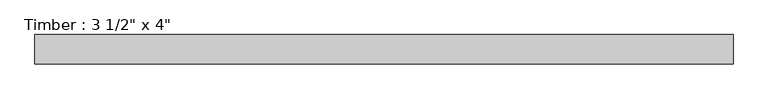
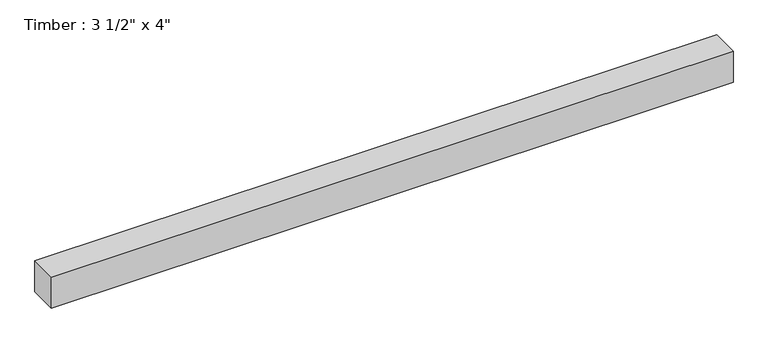
"""IFC4 building model written with IfcOpenShell, lengths in millimetres: beam geometry."""

from ifc_helpers import new_model, si_unit, frame, origin, place, context, project, spatial, polyline, outline, extrude, source, transform, mapped, element, save


def beam_3070ff94(model_context):
    return source(origin(), model_context, "Body", "SweptSolid", [
        extrude(outline(polyline([(1056.4038703, -44.45), (-1056.4038703, -44.45), (-1056.4038703, 44.45), (1056.4038703, 44.45), (1056.4038703, -44.45)])), frame((0.0, 0.0, -50.8), z_axis=(0.0, 0.0, 1.0), x_axis=(1.0, 0.0, 0.0)), (0.0, 0.0, 1.0), 101.6),
    ])


if __name__ == "__main__":
    model = new_model("IFC4")
    model_context = context("Model", 3, world=origin())
    ifc_project = project(units=[si_unit("LENGTHUNIT", "METRE", prefix="MILLI")], contexts=[model_context])
    site = spatial("IfcSite", under=ifc_project)
    building = spatial("IfcBuilding", under=site)
    placement = place(None, origin())
    beam_shape = beam_3070ff94(model_context)
    element("IfcBeam", 1, ObjectType="Timber : 3 1/2\" x 4\"", at=placement, inside=building, context=model_context, shape_type="MappedRepresentation", body=[
        mapped(beam_shape, transform((0.0, 0.0, 0.0), x_axis=(1.0, 0.0, 0.0), y_axis=(0.0, 1.0, 0.0), z_axis=(0.0, 0.0, 1.0))),
    ])
    save(model, "model.ifc")
